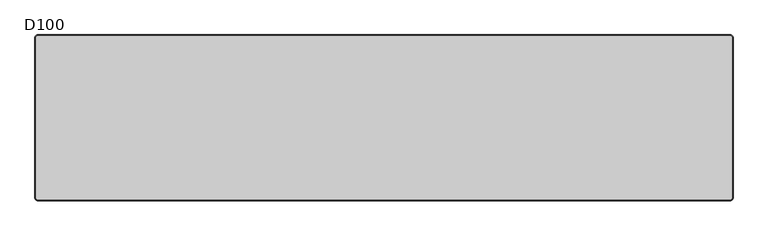
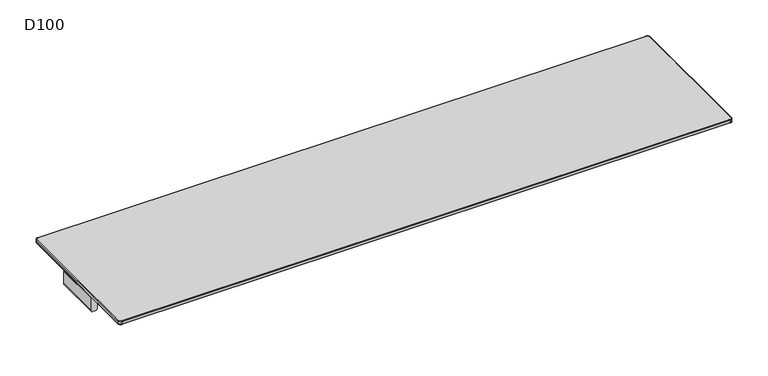
"""IFC4 building model written with IfcOpenShell, lengths in millimetres: furniture geometry, D100."""

from ifc_helpers import new_model, si_unit, point, frame, frame_2d, origin, place, context, project, spatial, polyline, circle_curve, ellipse_curve, trimmed, segment, composite_curve, outline, extrude, source, transform, mapped, element, save
from ifc_brep_helpers import plane_surface, cylinder_surface, revolved_surface, advanced_brep


def d100_ee7b5ac4(model_context):
    return source(origin(), model_context, "Body", "SolidModel", [
        extrude(outline(composite_curve([segment(polyline([(791.0006338, 2099.0), (880.0006338, 2099.0), (880.0006338, 2054.0), (791.0006338, 2054.0)]), True, "CONTINUOUS"), segment(trimmed(circle_curve(frame_2d((791.0006338, 2069.0)), 15.0), [point((791.0006338, 2054.0))], [point((776.0006338, 2069.0))], False, "CARTESIAN"), True, "CONTINUOUS"), segment(polyline([(776.0006338, 2069.0), (776.0006338, 2084.0)]), True, "CONTINUOUS"), segment(trimmed(circle_curve(frame_2d((791.0006338, 2084.0)), 15.0), [point((776.0006338, 2084.0))], [point((791.0006338, 2099.0))], False, "CARTESIAN"), True, "CONTINUOUS")], self_intersect=False)), frame((0.0, -159.2234902, 0.0), z_axis=(0.0, 1.0, 0.0), x_axis=(0.0, 0.0, 1.0)), (0.0, 0.0, 1.0), 318.4469804),
        extrude(outline(composite_curve([segment(polyline([(791.0006338, 0.0), (880.0006338, 0.0), (880.0006338, -45.0), (791.0006338, -45.0)]), True, "CONTINUOUS"), segment(trimmed(circle_curve(frame_2d((791.0006338, -30.0)), 15.0), [point((791.0006338, -45.0))], [point((776.0006338, -30.0))], False, "CARTESIAN"), True, "CONTINUOUS"), segment(polyline([(776.0006338, -30.0), (776.0006338, -15.0)]), True, "CONTINUOUS"), segment(trimmed(circle_curve(frame_2d((791.0006338, -15.0)), 15.0), [point((776.0006338, -15.0))], [point((791.0006338, 0.0))], False, "CARTESIAN"), True, "CONTINUOUS")], self_intersect=False)), frame((0.0, -159.2234902, 0.0), z_axis=(0.0, 1.0, 0.0), x_axis=(0.0, 0.0, 1.0)), (0.0, 0.0, 1.0), 318.4469804),
        extrude(outline(composite_curve([segment(trimmed(circle_curve(frame_2d((791.0006338, 15.0)), 15.0), [point((791.0006338, 0.0))], [point((776.0006338, 15.0))], False, "CARTESIAN"), True, "CONTINUOUS"), segment(polyline([(776.0006338, 15.0), (776.0006338, 30.0)]), True, "CONTINUOUS"), segment(trimmed(circle_curve(frame_2d((791.0006338, 30.0)), 15.0), [point((776.0006338, 30.0))], [point((791.0006338, 45.0))], False, "CARTESIAN"), True, "CONTINUOUS"), segment(polyline([(791.0006338, 45.0), (880.0006338, 45.0), (880.0006338, 0.0), (791.0006338, 0.0)]), True, "CONTINUOUS")], self_intersect=False)), frame((0.0, -159.2234902, 0.0), z_axis=(0.0, 1.0, 0.0), x_axis=(0.0, 0.0, 1.0)), (0.0, 0.0, 1.0), 318.4469804),
        extrude(outline(composite_curve([segment(trimmed(circle_curve(frame_2d((791.0006338, -2084.0)), 15.0), [point((791.0006338, -2099.0))], [point((776.0006338, -2084.0))], False, "CARTESIAN"), True, "CONTINUOUS"), segment(polyline([(776.0006338, -2084.0), (776.0006338, -2069.0)]), True, "CONTINUOUS"), segment(trimmed(circle_curve(frame_2d((791.0006338, -2069.0)), 15.0), [point((776.0006338, -2069.0))], [point((791.0006338, -2054.0))], False, "CARTESIAN"), True, "CONTINUOUS"), segment(polyline([(791.0006338, -2054.0), (880.0006338, -2054.0), (880.0006338, -2099.0), (791.0006338, -2099.0)]), True, "CONTINUOUS")], self_intersect=False)), frame((0.0, -159.2234902, 0.0), z_axis=(0.0, 1.0, 0.0), x_axis=(0.0, 0.0, 1.0)), (0.0, 0.0, 1.0), 318.4469804),
        advanced_brep(
        [(-2082.0, 495.0, 912.0006338), (-2095.0, 482.0, 912.0006338), (-2095.0, -482.0, 912.0006338), (-2082.0, -495.0, 912.0006338), (2082.0, -495.0, 912.0006338), (2095.0, -482.0, 912.0006338), (2095.0, 482.0, 912.0006338), (2082.0, 495.0, 912.0006338), (-2095.0, 482.0, 886.0006338), (-2082.0, 495.0, 886.0006338), (2082.0, 495.0, 886.0006338), (2095.0, 482.0, 886.0006338), (2095.0, -482.0, 886.0006338), (2082.0, -495.0, 886.0006338), (-2082.0, -495.0, 886.0006338), (-2095.0, -482.0, 886.0006338), (-2100.0, 482.0, 907.0006387), (-2100.0, 482.0, 891.0006338), (-2100.0, -482.0, 891.0006338), (-2100.0, -482.0, 907.0006338), (-2082.0, -500.0, 891.0006338), (-2082.0, -500.0, 907.0006375), (2082.0, -500.0, 891.0006338), (2082.0, -500.0, 907.0006338), (2100.0, -482.0, 891.0006338), (2100.0, -482.0, 907.0006373), (2100.0, 482.0, 891.0006338), (2100.0, 482.0, 907.0006338), (-2082.0, 500.0, 891.0006338), (-2082.0, 500.0, 907.0006338), (2082.0, 500.0, 891.0006338), (2082.0, 500.0, 907.0006338)],
        [
            (0, 1, circle_curve(frame((-2082.0, 482.0, 912.0006338), z_axis=(0.0, 0.0, 1.0), x_axis=(0.0, 1.0, 0.0)), 13.0)),
            (1, 2),
            (2, 3, circle_curve(frame((-2082.0, -482.0, 912.0006338), z_axis=(0.0, 0.0, 1.0), x_axis=(-1.0, 0.0, 0.0)), 13.0)),
            (3, 4),
            (4, 5, circle_curve(frame((2082.0, -482.0, 912.0006338), z_axis=(0.0, 0.0, 1.0), x_axis=(0.0, -1.0, 0.0)), 13.0)),
            (5, 6),
            (6, 7, circle_curve(frame((2082.0, 482.0, 912.0006338), z_axis=(0.0, 0.0, 1.0), x_axis=(1.0, 0.0, 0.0)), 13.0)),
            (7, 0),
            (8, 9, circle_curve(frame((-2082.0, 482.0, 886.0006338), z_axis=(0.0, 0.0, -1.0), x_axis=(0.0, 1.0, 0.0)), 13.0)),
            (9, 10),
            (10, 11, circle_curve(frame((2082.0, 482.0, 886.0006338), z_axis=(0.0, 0.0, -1.0), x_axis=(1.0, 0.0, 0.0)), 13.0)),
            (11, 12),
            (12, 13, circle_curve(frame((2082.0, -482.0, 886.0006338), z_axis=(0.0, 0.0, -1.0), x_axis=(0.0, -1.0, 0.0)), 13.0)),
            (13, 14),
            (14, 15, circle_curve(frame((-2082.0, -482.0, 886.0006338), z_axis=(0.0, 0.0, -1.0), x_axis=(-1.0, 0.0, 0.0)), 13.0)),
            (15, 8),
            (16, 17),
            (17, 18),
            (18, 19),
            (19, 16),
            (18, 20, circle_curve(frame((-2082.0, -482.0, 891.0006338), z_axis=(0.0, 0.0, 1.0), x_axis=(1.0, 0.0, 0.0)), 18.0)),
            (20, 21),
            (21, 19, circle_curve(frame((-2082.0, -482.0, 907.0006338), z_axis=(0.0, 0.0, -1.0), x_axis=(1.0, 0.0, 0.0)), 18.0)),
            (20, 22),
            (22, 23),
            (23, 21),
            (22, 24, circle_curve(frame((2082.0, -482.0, 891.0006338), z_axis=(0.0, 0.0, 1.0), x_axis=(1.0, 0.0, 0.0)), 18.0)),
            (24, 25),
            (25, 23, circle_curve(frame((2082.0, -482.0, 907.0006338), z_axis=(0.0, 0.0, -1.0), x_axis=(1.0, 0.0, 0.0)), 18.0)),
            (24, 26),
            (26, 27),
            (27, 25),
            (8, 17, circle_curve(frame((-2095.0, 482.0, 891.0006338), z_axis=(0.0, 1.0, 0.0), x_axis=(1.0, 0.0, 0.0)), 5.0)),
            (17, 28, circle_curve(frame((-2082.0, 482.0, 891.0006338), z_axis=(0.0, 0.0, -1.0), x_axis=(0.0, 1.0, 0.0)), 18.0)),
            (28, 9, circle_curve(frame((-2082.0, 495.0, 891.0006338), z_axis=(-1.0, 0.0, 0.0), x_axis=(0.0, -1.0, 0.0)), 5.0)),
            (16, 1, circle_curve(frame((-2095.0, 482.0, 907.0006338), z_axis=(0.0, 1.0, 0.0), x_axis=(1.0, 0.0, 0.0)), 5.0)),
            (0, 29, circle_curve(frame((-2082.0, 495.0, 907.0006338), z_axis=(-1.0, 0.0, 0.0), x_axis=(0.0, -1.0, 0.0)), 5.0)),
            (29, 16, circle_curve(frame((-2082.0, 482.0, 907.0006338), z_axis=(0.0, 0.0, 1.0), x_axis=(0.0, 1.0, 0.0)), 18.0)),
            (15, 18, circle_curve(frame((-2095.0, -482.0, 891.0006338), z_axis=(0.0, 1.0, 0.0), x_axis=(1.0, 0.0, 0.0)), 5.0)),
            (19, 2, circle_curve(frame((-2095.0, -482.0, 907.0006338), z_axis=(0.0, 1.0, 0.0), x_axis=(1.0, 0.0, 0.0)), 5.0)),
            (14, 20, circle_curve(frame((-2082.0, -495.0, 891.0006338), z_axis=(-1.0, 0.0, 0.0), x_axis=(0.0, 1.0, 0.0)), 5.0)),
            (21, 3, circle_curve(frame((-2082.0, -495.0, 907.0006338), z_axis=(-1.0, 0.0, 0.0), x_axis=(0.0, 1.0, 0.0)), 5.0)),
            (13, 22, circle_curve(frame((2082.0, -495.0, 891.0006338), z_axis=(-1.0, 0.0, 0.0), x_axis=(0.0, 1.0, 0.0)), 5.0)),
            (23, 4, circle_curve(frame((2082.0, -495.0, 907.0006338), z_axis=(-1.0, 0.0, 0.0), x_axis=(0.0, 1.0, 0.0)), 5.0)),
            (12, 24, circle_curve(frame((2095.0, -482.0, 891.0006338), z_axis=(0.0, -1.0, 0.0), x_axis=(-1.0, 0.0, 0.0)), 5.0)),
            (25, 5, circle_curve(frame((2095.0, -482.0, 907.0006338), z_axis=(0.0, -1.0, 0.0), x_axis=(-1.0, 0.0, 0.0)), 5.0)),
            (11, 26, circle_curve(frame((2095.0, 482.0, 891.0006338), z_axis=(0.0, -1.0, 0.0), x_axis=(-1.0, 0.0, 0.0)), 5.0)),
            (27, 6, circle_curve(frame((2095.0, 482.0, 907.0006338), z_axis=(0.0, -1.0, 0.0), x_axis=(-1.0, 0.0, 0.0)), 5.0)),
            (10, 30, circle_curve(frame((2082.0, 495.0, 891.0006338), z_axis=(1.0, 0.0, 0.0), x_axis=(0.0, -1.0, 0.0)), 5.0)),
            (30, 26, circle_curve(frame((2082.0, 482.0, 891.0006338), z_axis=(0.0, 0.0, -1.0), x_axis=(1.0, 0.0, 0.0)), 18.0)),
            (27, 31, circle_curve(frame((2082.0, 482.0, 907.0006338), z_axis=(0.0, 0.0, 1.0), x_axis=(1.0, 0.0, 0.0)), 18.0)),
            (31, 7, circle_curve(frame((2082.0, 495.0, 907.0006338), z_axis=(1.0, 0.0, 0.0), x_axis=(0.0, -1.0, 0.0)), 5.0)),
            (28, 30),
            (31, 29),
            (30, 31),
            (28, 29),
        ],
        [
            plane_surface(frame((-2100.0, -482.0, 912.0006338), z_axis=(0.0, 0.0, 1.0), x_axis=(0.0, -1.0, 0.0))),
            plane_surface(frame((-2100.0, -482.0, 886.0006338), z_axis=(0.0, 0.0, -1.0), x_axis=(0.0, 1.0, 0.0))),
            plane_surface(frame((-2100.0, 482.0, 912.0006338), z_axis=(-1.0, 0.0, 0.0), x_axis=(0.0, 0.0, -1.0))),
            cylinder_surface(frame((-2082.0, -482.0, 886.0006338), z_axis=(0.0, 0.0, 1.0), x_axis=(1.0, 0.0, 0.0)), 18.0),
            plane_surface(frame((-2082.0, -500.0, 912.0006338), z_axis=(0.0, -1.0, 0.0), x_axis=(0.0, 0.0, -1.0))),
            cylinder_surface(frame((2082.0, -482.0, 886.0006338), z_axis=(0.0, 0.0, 1.0), x_axis=(1.0, 0.0, 0.0)), 18.0),
            plane_surface(frame((2100.0, -482.0, 912.0006338), z_axis=(1.0, 0.0, 0.0), x_axis=(0.0, 0.0, -1.0))),
            revolved_surface(trimmed(ellipse_curve(frame((-2082.0, 495.0, 891.0006338), z_axis=(1.0, 0.0, 0.0), x_axis=(0.0, -1.0, 0.0)), 5.0, 5.0), [point((-2082.0, 495.0, 886.0006338))], [point((-2082.0, 500.0, 891.0006338))], True, "CARTESIAN"), (-2082.0, 482.0, 0.0006338), (0.0, 0.0, 1.0)),
            revolved_surface(trimmed(ellipse_curve(frame((-2082.0, 495.0, 907.0006338), z_axis=(1.0, 0.0, 0.0), x_axis=(0.0, -1.0, 0.0)), 5.0, 5.0), [point((-2082.0, 500.0, 907.0006338))], [point((-2082.0, 495.0, 912.0006338))], True, "CARTESIAN"), (-2082.0, 482.0, 0.0006338), (0.0, 0.0, 1.0)),
            cylinder_surface(frame((-2095.0, 482.0, 891.0006338), z_axis=(0.0, -1.0, 0.0), x_axis=(1.0, 0.0, 0.0)), 5.0),
            cylinder_surface(frame((-2095.0, 482.0, 907.0006338), z_axis=(0.0, -1.0, 0.0), x_axis=(1.0, 0.0, 0.0)), 5.0),
            revolved_surface(trimmed(ellipse_curve(frame((-2095.0, -482.0, 891.0006338), z_axis=(0.0, 1.0, 0.0), x_axis=(1.0, 0.0, 0.0)), 5.0, 5.0), [point((-2095.0, -482.0, 886.0006338))], [point((-2100.0, -482.0, 891.0006338))], True, "CARTESIAN"), (-2082.0, -482.0, 0.0006338), (0.0, 0.0, 1.0)),
            revolved_surface(trimmed(ellipse_curve(frame((-2095.0, -482.0, 907.0006338), z_axis=(0.0, 1.0, 0.0), x_axis=(1.0, 0.0, 0.0)), 5.0, 5.0), [point((-2100.0, -482.0, 907.0006338))], [point((-2095.0, -482.0, 912.0006338))], True, "CARTESIAN"), (-2082.0, -482.0, 0.0006338), (0.0, 0.0, 1.0)),
            cylinder_surface(frame((-2082.0, -495.0, 891.0006338), z_axis=(1.0, 0.0, 0.0), x_axis=(0.0, 1.0, 0.0)), 5.0),
            cylinder_surface(frame((-2082.0, -495.0, 907.0006338), z_axis=(1.0, 0.0, 0.0), x_axis=(0.0, 1.0, 0.0)), 5.0),
            revolved_surface(trimmed(ellipse_curve(frame((2082.0, -495.0, 891.0006338), z_axis=(-1.0, 0.0, 0.0), x_axis=(0.0, 1.0, 0.0)), 5.0, 5.0), [point((2082.0, -495.0, 886.0006338))], [point((2082.0, -500.0, 891.0006338))], True, "CARTESIAN"), (2082.0, -482.0, 0.0006338), (0.0, 0.0, 1.0)),
            revolved_surface(trimmed(ellipse_curve(frame((2082.0, -495.0, 907.0006338), z_axis=(-1.0, 0.0, 0.0), x_axis=(0.0, 1.0, 0.0)), 5.0, 5.0), [point((2082.0, -500.0, 907.0006338))], [point((2082.0, -495.0, 912.0006338))], True, "CARTESIAN"), (2082.0, -482.0, 0.0006338), (0.0, 0.0, 1.0)),
            cylinder_surface(frame((2095.0, -482.0, 891.0006338), z_axis=(0.0, 1.0, 0.0), x_axis=(-1.0, 0.0, 0.0)), 5.0),
            cylinder_surface(frame((2095.0, -482.0, 907.0006338), z_axis=(0.0, 1.0, 0.0), x_axis=(-1.0, 0.0, 0.0)), 5.0),
            revolved_surface(trimmed(ellipse_curve(frame((2095.0, 482.0, 891.0006338), z_axis=(0.0, -1.0, 0.0), x_axis=(-1.0, 0.0, 0.0)), 5.0, 5.0), [point((2095.0, 482.0, 886.0006338))], [point((2100.0, 482.0, 891.0006338))], True, "CARTESIAN"), (2082.0, 482.0, 0.0006338), (0.0, 0.0, 1.0)),
            revolved_surface(trimmed(ellipse_curve(frame((2095.0, 482.0, 907.0006338), z_axis=(0.0, -1.0, 0.0), x_axis=(-1.0, 0.0, 0.0)), 5.0, 5.0), [point((2100.0, 482.0, 907.0006338))], [point((2095.0, 482.0, 912.0006338))], True, "CARTESIAN"), (2082.0, 482.0, 0.0006338), (0.0, 0.0, 1.0)),
            cylinder_surface(frame((2082.0, 495.0, 891.0006338), z_axis=(-1.0, 0.0, 0.0), x_axis=(0.0, -1.0, 0.0)), 5.0),
            cylinder_surface(frame((2082.0, 495.0, 907.0006338), z_axis=(-1.0, 0.0, 0.0), x_axis=(0.0, -1.0, 0.0)), 5.0),
            cylinder_surface(frame((2082.0, 482.0, 886.0006338), z_axis=(0.0, 0.0, 1.0), x_axis=(1.0, 0.0, 0.0)), 18.0),
            plane_surface(frame((2082.0, 500.0, 912.0006338), z_axis=(0.0, 1.0, 0.0), x_axis=(0.0, 0.0, -1.0))),
            cylinder_surface(frame((-2082.0, 482.0, 886.0006338), z_axis=(0.0, 0.0, 1.0), x_axis=(1.0, 0.0, 0.0)), 18.0),
        ],
        [
            (0, [[1, 2, 3, 4, 5, 6, 7, 8]]),
            (1, [[9, 10, 11, 12, 13, 14, 15, 16]]),
            (2, [[17, 18, 19, 20]]),
            (3, [[-19, 21, 22, 23]]),
            (4, [[-22, 24, 25, 26]]),
            (5, [[-25, 27, 28, 29]]),
            (6, [[-28, 30, 31, 32]]),
            (7, [[33, 34, 35, -9]]),
            (8, [[36, -1, 37, 38]]),
            (9, [[-33, -16, 39, -18]]),
            (10, [[-36, -20, 40, -2]]),
            (11, [[-39, -15, 41, -21]]),
            (12, [[-40, -23, 42, -3]]),
            (13, [[-41, -14, 43, -24]]),
            (14, [[-42, -26, 44, -4]]),
            (15, [[-43, -13, 45, -27]]),
            (16, [[-44, -29, 46, -5]]),
            (17, [[-45, -12, 47, -30]]),
            (18, [[-46, -32, 48, -6]]),
            (19, [[-47, -11, 49, 50]]),
            (20, [[-48, 51, 52, -7]]),
            (21, [[-35, 53, -49, -10]]),
            (22, [[-37, -8, -52, 54]]),
            (23, [[-31, -50, 55, -51]]),
            (24, [[-55, -53, 56, -54]]),
            (25, [[-17, -38, -56, -34]]),
        ],
    ),
        advanced_brep(
        [(2029.2740174, -165.2234902, 821.5334099), (2054.0036896, -165.2234902, 791.3333097), (2069.0, -165.2234902, 776.0006338), (2084.0, -165.2234902, 776.0006338), (2099.0, -165.2234902, 791.0006338), (2099.0, -165.2234902, 880.0006338), (1839.0, -165.2234902, 880.0006338), (1839.0, -165.2234902, 872.1904661), (1855.4913675, -165.2234902, 852.5006338), (2029.2740174, -159.2234902, 821.5334099), (1855.4913675, -159.2234902, 852.5006338), (1839.0, -159.2234902, 872.1904661), (1839.0, -159.2234902, 880.0006338), (2099.0, -159.2234902, 880.0006338), (2099.0, -159.2234902, 791.0006338), (2084.0, -159.2234902, 776.0006338), (2069.0, -159.2234902, 776.0006338), (2054.0036896, -159.2234902, 791.3333097), (2099.0, -113.2234902, 880.0006338), (2099.0, -113.2234902, 886.0006338), (2099.0, -211.2234902, 886.0006338), (2099.0, -211.2234902, 880.0006338), (2083.0, -97.2234902, 886.0006338), (1855.0, -97.2234902, 886.0006338), (1839.0, -113.2234902, 886.0006338), (1839.0, -211.2234902, 886.0006338), (1855.0, -227.2234902, 886.0006338), (2083.0, -227.2234902, 886.0006338), (1839.0, -113.2234902, 880.0006338), (1839.0, -211.2234902, 880.0006338), (2083.0, -97.2234902, 880.0006338), (1855.0, -97.2234902, 880.0006338), (2083.0, -227.2234902, 880.0006338), (1855.0, -227.2234902, 880.0006338)],
        [
            (0, 1, circle_curve(frame((2024.0110687, -165.2234902, 791.9986614), z_axis=(0.0, 1.0, 0.0), x_axis=(1.0, 0.0, 0.0)), 30.0)),
            (1, 2, circle_curve(frame((2069.0, -165.2234902, 791.0006338), z_axis=(0.0, -1.0, 0.0), x_axis=(1.0, 0.0, 0.0)), 15.0)),
            (2, 3),
            (3, 4, circle_curve(frame((2084.0, -165.2234902, 791.0006338), z_axis=(0.0, -1.0, 0.0), x_axis=(1.0, 0.0, 0.0)), 15.0)),
            (4, 5),
            (5, 6),
            (6, 7),
            (7, 8, circle_curve(frame((1859.0, -165.2234902, 872.1904661), z_axis=(0.0, -1.0, 0.0), x_axis=(1.0, 0.0, 0.0)), 20.0)),
            (8, 0),
            (9, 10),
            (10, 11, circle_curve(frame((1859.0, -159.2234902, 872.1904661), z_axis=(0.0, 1.0, 0.0), x_axis=(1.0, 0.0, 0.0)), 20.0)),
            (11, 12),
            (12, 13),
            (13, 14),
            (14, 15, circle_curve(frame((2084.0, -159.2234902, 791.0006338), z_axis=(0.0, 1.0, 0.0), x_axis=(1.0, 0.0, 0.0)), 15.0)),
            (15, 16),
            (16, 17, circle_curve(frame((2069.0, -159.2234902, 791.0006338), z_axis=(0.0, 1.0, 0.0), x_axis=(1.0, 0.0, 0.0)), 15.0)),
            (17, 9, circle_curve(frame((2024.0110687, -159.2234902, 791.9986614), z_axis=(0.0, -1.0, 0.0), x_axis=(1.0, 0.0, 0.0)), 30.0)),
            (0, 9),
            (17, 1),
            (4, 14),
            (13, 18),
            (18, 19),
            (19, 20),
            (20, 21),
            (21, 5),
            (19, 22, circle_curve(frame((2083.0, -113.2234902, 886.0006338), z_axis=(0.0, 0.0, 1.0), x_axis=(-1.0, 0.0, 0.0)), 16.0)),
            (22, 23),
            (23, 24, circle_curve(frame((1855.0, -113.2234902, 886.0006338), z_axis=(0.0, 0.0, 1.0), x_axis=(-1.0, 0.0, 0.0)), 16.0)),
            (24, 25),
            (25, 26, circle_curve(frame((1855.0, -211.2234902, 886.0006338), z_axis=(0.0, 0.0, 1.0), x_axis=(-1.0, 0.0, 0.0)), 16.0)),
            (26, 27),
            (27, 20, circle_curve(frame((2083.0, -211.2234902, 886.0006338), z_axis=(0.0, 0.0, 1.0), x_axis=(-1.0, 0.0, 0.0)), 16.0)),
            (24, 28),
            (28, 12),
            (11, 7),
            (6, 29),
            (29, 25),
            (10, 8),
            (16, 2),
            (15, 3),
            (30, 18, circle_curve(frame((2083.0, -113.2234902, 880.0006338), z_axis=(0.0, 0.0, -1.0), x_axis=(-1.0, 0.0, 0.0)), 16.0)),
            (28, 31, circle_curve(frame((1855.0, -113.2234902, 880.0006338), z_axis=(0.0, 0.0, -1.0), x_axis=(-1.0, 0.0, 0.0)), 16.0)),
            (31, 30),
            (21, 32, circle_curve(frame((2083.0, -211.2234902, 880.0006338), z_axis=(0.0, 0.0, -1.0), x_axis=(-1.0, 0.0, 0.0)), 16.0)),
            (32, 33),
            (33, 29, circle_curve(frame((1855.0, -211.2234902, 880.0006338), z_axis=(0.0, 0.0, -1.0), x_axis=(-1.0, 0.0, 0.0)), 16.0)),
            (30, 22),
            (27, 32),
            (26, 33),
            (23, 31),
        ],
        [
            plane_surface(frame((2054.0110687, -165.2234902, 791.9986614), z_axis=(0.0, -1.0, 0.0), x_axis=(0.0, 0.0, -1.0))),
            plane_surface(frame((2054.0110687, -159.2234902, 791.9986614), z_axis=(0.0, 1.0, 0.0), x_axis=(0.0, 0.0, 1.0))),
            revolved_surface(polyline([(2054.0110686999997, -159.2234902, 791.9986614), (2054.0110686999997, -165.2234902, 791.9986614)]), (2024.0110687, -159.2234902, 791.9986614), (0.0, 1.0, 0.0)),
            plane_surface(frame((2099.0, -165.2234902, 791.0006338), z_axis=(1.0, 0.0, 0.0), x_axis=(0.0, 1.0, 0.0))),
            plane_surface(frame((2099.0, -165.2234902, 886.0006338), z_axis=(0.0, 0.0, 1.0), x_axis=(0.0, 1.0, 0.0))),
            plane_surface(frame((1839.0, -165.2234902, 886.0006338), z_axis=(-1.0, 0.0, 0.0), x_axis=(0.0, 1.0, 0.0))),
            cylinder_surface(frame((1859.0, -159.2234902, 872.1904661), z_axis=(0.0, -1.0, 0.0), x_axis=(1.0, 0.0, 0.0)), 20.0),
            plane_surface(frame((1855.4913675, -165.2234902, 852.5006338), z_axis=(-0.17543162299465118, 0.0, -0.984491617868564), x_axis=(0.0, 1.0, 0.0))),
            cylinder_surface(frame((2069.0, -159.2234902, 791.0006338), z_axis=(0.0, -1.0, 0.0), x_axis=(1.0, 0.0, 0.0)), 15.0),
            plane_surface(frame((2069.0, -165.2234902, 776.0006338), z_axis=(0.0, 0.0, -1.0), x_axis=(0.0, 1.0, 0.0))),
            cylinder_surface(frame((2084.0, -159.2234902, 791.0006338), z_axis=(0.0, -1.0, 0.0), x_axis=(1.0, 0.0, 0.0)), 15.0),
            plane_surface(frame((1855.0, -97.2234902, 880.0006338), z_axis=(0.0, 0.0, -1.0), x_axis=(1.0, 0.0, 0.0))),
            cylinder_surface(frame((2083.0, -113.2234902, 880.0006338), z_axis=(0.0, 0.0, 1.0), x_axis=(-1.0, 0.0, 0.0)), 16.0),
            cylinder_surface(frame((2083.0, -211.2234902, 880.0006338), z_axis=(0.0, 0.0, 1.0), x_axis=(-1.0, 0.0, 0.0)), 16.0),
            plane_surface(frame((1855.0, -227.2234902, 886.0006338), z_axis=(0.0, -1.0, 0.0), x_axis=(0.0, 0.0, -1.0))),
            cylinder_surface(frame((1855.0, -211.2234902, 880.0006338), z_axis=(0.0, 0.0, 1.0), x_axis=(-1.0, 0.0, 0.0)), 16.0),
            cylinder_surface(frame((1855.0, -113.2234902, 880.0006338), z_axis=(0.0, 0.0, 1.0), x_axis=(-1.0, 0.0, 0.0)), 16.0),
            plane_surface(frame((2083.0, -97.2234902, 886.0006338), z_axis=(0.0, 1.0, 0.0), x_axis=(0.0, 0.0, -1.0))),
        ],
        [
            (0, [[1, 2, 3, 4, 5, 6, 7, 8, 9]]),
            (1, [[10, 11, 12, 13, 14, 15, 16, 17, 18]]),
            (2, [[-1, 19, -18, 20]]),
            (3, [[21, -14, 22, 23, 24, 25, 26, -5]]),
            (4, [[-24, 27, 28, 29, 30, 31, 32, 33]]),
            (5, [[-30, 34, 35, -12, 36, -7, 37, 38]]),
            (6, [[-8, -36, -11, 39]]),
            (7, [[-9, -39, -10, -19]]),
            (8, [[-2, -20, -17, 40]]),
            (9, [[-3, -40, -16, 41]]),
            (10, [[-4, -41, -15, -21]]),
            (11, [[42, -22, -13, -35, 43, 44]]),
            (11, [[45, 46, 47, -37, -6, -26]]),
            (12, [[-27, -23, -42, 48]]),
            (13, [[-33, 49, -45, -25]]),
            (14, [[-32, 50, -46, -49]]),
            (15, [[-31, -38, -47, -50]]),
            (16, [[-29, 51, -43, -34]]),
            (17, [[-28, -48, -44, -51]]),
        ],
    ),
        advanced_brep(
        [(2029.2740174, 165.2234902, 821.5334099), (1855.4913675, 165.2234902, 852.5006338), (1839.0, 165.2234902, 872.1904661), (1839.0, 165.2234902, 880.0006338), (2099.0, 165.2234902, 880.0006338), (2099.0, 165.2234902, 791.0006338), (2084.0, 165.2234902, 776.0006338), (2069.0, 165.2234902, 776.0006338), (2054.0036896, 165.2234902, 791.3333097), (2029.2740174, 159.2234902, 821.5334099), (2054.0036896, 159.2234902, 791.3333097), (2069.0, 159.2234902, 776.0006338), (2084.0, 159.2234902, 776.0006338), (2099.0, 159.2234902, 791.0006338), (2099.0, 159.2234902, 880.0006338), (1839.0, 159.2234902, 880.0006338), (1839.0, 159.2234902, 872.1904661), (1855.4913675, 159.2234902, 852.5006338), (2099.0, 113.2234902, 886.0006338), (2099.0, 113.2234902, 880.0006338), (2099.0, 211.2234902, 880.0006338), (2099.0, 211.2234902, 886.0006338), (2083.0, 227.2234902, 886.0006338), (1855.0, 227.2234902, 886.0006338), (1839.0, 211.2234902, 886.0006338), (1839.0, 113.2234902, 886.0006338), (1855.0, 97.2234902, 886.0006338), (2083.0, 97.2234902, 886.0006338), (1839.0, 211.2234902, 880.0006338), (1839.0, 113.2234902, 880.0006338), (2083.0, 97.2234902, 880.0006338), (1855.0, 97.2234902, 880.0006338), (1855.0, 227.2234902, 880.0006338), (2083.0, 227.2234902, 880.0006338)],
        [
            (0, 1),
            (1, 2, circle_curve(frame((1859.0, 165.2234902, 872.1904661), z_axis=(0.0, 1.0, 0.0), x_axis=(1.0, 0.0, 0.0)), 20.0)),
            (2, 3),
            (3, 4),
            (4, 5),
            (5, 6, circle_curve(frame((2084.0, 165.2234902, 791.0006338), z_axis=(0.0, 1.0, 0.0), x_axis=(1.0, 0.0, 0.0)), 15.0)),
            (6, 7),
            (7, 8, circle_curve(frame((2069.0, 165.2234902, 791.0006338), z_axis=(0.0, 1.0, 0.0), x_axis=(1.0, 0.0, 0.0)), 15.0)),
            (8, 0, circle_curve(frame((2024.0110687, 165.2234902, 791.9986614), z_axis=(0.0, -1.0, 0.0), x_axis=(1.0, 0.0, 0.0)), 30.0)),
            (9, 10, circle_curve(frame((2024.0110687, 159.2234902, 791.9986614), z_axis=(0.0, 1.0, 0.0), x_axis=(1.0, 0.0, 0.0)), 30.0)),
            (10, 11, circle_curve(frame((2069.0, 159.2234902, 791.0006338), z_axis=(0.0, -1.0, 0.0), x_axis=(1.0, 0.0, 0.0)), 15.0)),
            (11, 12),
            (12, 13, circle_curve(frame((2084.0, 159.2234902, 791.0006338), z_axis=(0.0, -1.0, 0.0), x_axis=(1.0, 0.0, 0.0)), 15.0)),
            (13, 14),
            (14, 15),
            (15, 16),
            (16, 17, circle_curve(frame((1859.0, 159.2234902, 872.1904661), z_axis=(0.0, -1.0, 0.0), x_axis=(1.0, 0.0, 0.0)), 20.0)),
            (17, 9),
            (8, 10),
            (9, 0),
            (18, 19),
            (19, 14),
            (13, 5),
            (4, 20),
            (20, 21),
            (21, 18),
            (21, 22, circle_curve(frame((2083.0, 211.2234902, 886.0006338), z_axis=(0.0, 0.0, 1.0), x_axis=(-1.0, 0.0, 0.0)), 16.0)),
            (22, 23),
            (23, 24, circle_curve(frame((1855.0, 211.2234902, 886.0006338), z_axis=(0.0, 0.0, 1.0), x_axis=(-1.0, 0.0, 0.0)), 16.0)),
            (24, 25),
            (25, 26, circle_curve(frame((1855.0, 113.2234902, 886.0006338), z_axis=(0.0, 0.0, 1.0), x_axis=(-1.0, 0.0, 0.0)), 16.0)),
            (26, 27),
            (27, 18, circle_curve(frame((2083.0, 113.2234902, 886.0006338), z_axis=(0.0, 0.0, 1.0), x_axis=(-1.0, 0.0, 0.0)), 16.0)),
            (24, 28),
            (28, 3),
            (2, 16),
            (15, 29),
            (29, 25),
            (1, 17),
            (7, 11),
            (6, 12),
            (30, 31),
            (31, 29, circle_curve(frame((1855.0, 113.2234902, 880.0006338), z_axis=(0.0, 0.0, -1.0), x_axis=(-1.0, 0.0, 0.0)), 16.0)),
            (19, 30, circle_curve(frame((2083.0, 113.2234902, 880.0006338), z_axis=(0.0, 0.0, -1.0), x_axis=(-1.0, 0.0, 0.0)), 16.0)),
            (28, 32, circle_curve(frame((1855.0, 211.2234902, 880.0006338), z_axis=(0.0, 0.0, -1.0), x_axis=(-1.0, 0.0, 0.0)), 16.0)),
            (32, 33),
            (33, 20, circle_curve(frame((2083.0, 211.2234902, 880.0006338), z_axis=(0.0, 0.0, -1.0), x_axis=(-1.0, 0.0, 0.0)), 16.0)),
            (27, 30),
            (33, 22),
            (32, 23),
            (31, 26),
        ],
        [
            plane_surface(frame((1855.4913675, 165.2234902, 852.5006338), z_axis=(0.0, 1.0, 0.0), x_axis=(-0.984491617868564, 0.0, 0.17543162299465118))),
            plane_surface(frame((1855.4913675, 159.2234902, 852.5006338), z_axis=(0.0, -1.0, 0.0), x_axis=(0.984491617868564, 0.0, -0.17543162299465118))),
            revolved_surface(polyline([(2054.0110686999997, 159.2234902, 791.9986614), (2054.0110686999997, 165.2234902, 791.9986614)]), (2024.0110687, 159.2234902, 791.9986614), (0.0, -1.0, 0.0)),
            plane_surface(frame((2099.0, 165.2234902, 886.0006338), z_axis=(1.0, 0.0, 0.0), x_axis=(0.0, -1.0, 0.0))),
            plane_surface(frame((1839.0, 165.2234902, 886.0006338), z_axis=(0.0, 0.0, 1.0), x_axis=(0.0, -1.0, 0.0))),
            plane_surface(frame((1839.0, 165.2234902, 872.1904661), z_axis=(-1.0, 0.0, 0.0), x_axis=(0.0, -1.0, 0.0))),
            cylinder_surface(frame((1859.0, 159.2234902, 872.1904661), z_axis=(0.0, 1.0, 0.0), x_axis=(1.0, 0.0, 0.0)), 20.0),
            plane_surface(frame((2029.2740174, 165.2234902, 821.5334099), z_axis=(-0.17543162299465118, 0.0, -0.984491617868564), x_axis=(0.0, -1.0, 0.0))),
            cylinder_surface(frame((2069.0, 159.2234902, 791.0006338), z_axis=(0.0, 1.0, 0.0), x_axis=(1.0, 0.0, 0.0)), 15.0),
            plane_surface(frame((2084.0, 165.2234902, 776.0006338), z_axis=(0.0, 0.0, -1.0), x_axis=(0.0, -1.0, 0.0))),
            cylinder_surface(frame((2084.0, 159.2234902, 791.0006338), z_axis=(0.0, 1.0, 0.0), x_axis=(1.0, 0.0, 0.0)), 15.0),
            plane_surface(frame((2067.0, 113.2234902, 880.0006338), z_axis=(0.0, 0.0, -1.0), x_axis=(0.0, 1.0, 0.0))),
            cylinder_surface(frame((2083.0, 113.2234902, 880.0006338), z_axis=(0.0, 0.0, 1.0), x_axis=(-1.0, 0.0, 0.0)), 16.0),
            cylinder_surface(frame((2083.0, 211.2234902, 880.0006338), z_axis=(0.0, 0.0, 1.0), x_axis=(-1.0, 0.0, 0.0)), 16.0),
            plane_surface(frame((2083.0, 227.2234902, 886.0006338), z_axis=(0.0, 1.0, 0.0), x_axis=(0.0, 0.0, -1.0))),
            cylinder_surface(frame((1855.0, 211.2234902, 880.0006338), z_axis=(0.0, 0.0, 1.0), x_axis=(-1.0, 0.0, 0.0)), 16.0),
            cylinder_surface(frame((1855.0, 113.2234902, 880.0006338), z_axis=(0.0, 0.0, 1.0), x_axis=(-1.0, 0.0, 0.0)), 16.0),
            plane_surface(frame((1855.0, 97.2234902, 886.0006338), z_axis=(0.0, -1.0, 0.0), x_axis=(0.0, 0.0, -1.0))),
        ],
        [
            (0, [[1, 2, 3, 4, 5, 6, 7, 8, 9]]),
            (1, [[10, 11, 12, 13, 14, 15, 16, 17, 18]]),
            (2, [[-9, 19, -10, 20]]),
            (3, [[21, 22, -14, 23, -5, 24, 25, 26]]),
            (4, [[-26, 27, 28, 29, 30, 31, 32, 33]]),
            (5, [[-30, 34, 35, -3, 36, -16, 37, 38]]),
            (6, [[-2, 39, -17, -36]]),
            (7, [[-1, -20, -18, -39]]),
            (8, [[-8, 40, -11, -19]]),
            (9, [[-7, 41, -12, -40]]),
            (10, [[-6, -23, -13, -41]]),
            (11, [[42, 43, -37, -15, -22, 44]]),
            (11, [[45, 46, 47, -24, -4, -35]]),
            (12, [[-33, 48, -44, -21]]),
            (13, [[-27, -25, -47, 49]]),
            (14, [[-28, -49, -46, 50]]),
            (15, [[-29, -50, -45, -34]]),
            (16, [[-31, -38, -43, 51]]),
            (17, [[-32, -51, -42, -48]]),
        ],
    ),
        advanced_brep(
        [(69.7259826, 165.2234902, 821.5334099), (44.9963104, 165.2234902, 791.3333097), (30.0, 165.2234902, 776.0006338), (15.0, 165.2234902, 776.0006338), (0.0, 165.2234902, 791.0006338), (0.0, 165.2234902, 880.0006338), (260.0, 165.2234902, 880.0006338), (260.0, 165.2234902, 872.1904661), (243.5086325, 165.2234902, 852.5006338), (69.7259826, 159.2234902, 821.5334099), (243.5086325, 159.2234902, 852.5006338), (260.0, 159.2234902, 872.1904661), (260.0, 159.2234902, 880.0006338), (0.0, 159.2234902, 880.0006338), (0.0, 159.2234902, 791.0006338), (15.0, 159.2234902, 776.0006338), (30.0, 159.2234902, 776.0006338), (44.9963104, 159.2234902, 791.3333097), (0.0, 113.2234902, 880.0006338), (0.0, 113.2234902, 886.0006338), (0.0, 211.2234902, 886.0006338), (0.0, 211.2234902, 880.0006338), (16.0, 97.2234902, 886.0006338), (244.0, 97.2234902, 886.0006338), (260.0, 113.2234902, 886.0006338), (260.0, 211.2234902, 886.0006338), (244.0, 227.2234902, 886.0006338), (16.0, 227.2234902, 886.0006338), (260.0, 113.2234902, 880.0006338), (260.0, 211.2234902, 880.0006338), (16.0, 97.2234902, 880.0006338), (244.0, 97.2234902, 880.0006338), (16.0, 227.2234902, 880.0006338), (244.0, 227.2234902, 880.0006338)],
        [
            (0, 1, circle_curve(frame((74.9889313, 165.2234902, 791.9986614), z_axis=(0.0, -1.0, 0.0), x_axis=(-1.0, 0.0, 0.0)), 30.0)),
            (1, 2, circle_curve(frame((30.0, 165.2234902, 791.0006338), z_axis=(0.0, 1.0, 0.0), x_axis=(-1.0, 0.0, 0.0)), 15.0)),
            (2, 3),
            (3, 4, circle_curve(frame((15.0, 165.2234902, 791.0006338), z_axis=(0.0, 1.0, 0.0), x_axis=(-1.0, 0.0, 0.0)), 15.0)),
            (4, 5),
            (5, 6),
            (6, 7),
            (7, 8, circle_curve(frame((240.0, 165.2234902, 872.1904661), z_axis=(0.0, 1.0, 0.0), x_axis=(-1.0, 0.0, 0.0)), 20.0)),
            (8, 0),
            (9, 10),
            (10, 11, circle_curve(frame((240.0, 159.2234902, 872.1904661), z_axis=(0.0, -1.0, 0.0), x_axis=(-1.0, 0.0, 0.0)), 20.0)),
            (11, 12),
            (12, 13),
            (13, 14),
            (14, 15, circle_curve(frame((15.0, 159.2234902, 791.0006338), z_axis=(0.0, -1.0, 0.0), x_axis=(-1.0, 0.0, 0.0)), 15.0)),
            (15, 16),
            (16, 17, circle_curve(frame((30.0, 159.2234902, 791.0006338), z_axis=(0.0, -1.0, 0.0), x_axis=(-1.0, 0.0, 0.0)), 15.0)),
            (17, 9, circle_curve(frame((74.9889313, 159.2234902, 791.9986614), z_axis=(0.0, 1.0, 0.0), x_axis=(-1.0, 0.0, 0.0)), 30.0)),
            (0, 9),
            (17, 1),
            (4, 14),
            (13, 18),
            (18, 19),
            (19, 20),
            (20, 21),
            (21, 5),
            (19, 22, circle_curve(frame((16.0, 113.2234902, 886.0006338), z_axis=(0.0, 0.0, 1.0), x_axis=(1.0, 0.0, 0.0)), 16.0)),
            (22, 23),
            (23, 24, circle_curve(frame((244.0, 113.2234902, 886.0006338), z_axis=(0.0, 0.0, 1.0), x_axis=(1.0, 0.0, 0.0)), 16.0)),
            (24, 25),
            (25, 26, circle_curve(frame((244.0, 211.2234902, 886.0006338), z_axis=(0.0, 0.0, 1.0), x_axis=(1.0, 0.0, 0.0)), 16.0)),
            (26, 27),
            (27, 20, circle_curve(frame((16.0, 211.2234902, 886.0006338), z_axis=(0.0, 0.0, 1.0), x_axis=(1.0, 0.0, 0.0)), 16.0)),
            (24, 28),
            (28, 12),
            (11, 7),
            (6, 29),
            (29, 25),
            (10, 8),
            (16, 2),
            (15, 3),
            (30, 18, circle_curve(frame((16.0, 113.2234902, 880.0006338), z_axis=(0.0, 0.0, -1.0), x_axis=(1.0, 0.0, 0.0)), 16.0)),
            (28, 31, circle_curve(frame((244.0, 113.2234902, 880.0006338), z_axis=(0.0, 0.0, -1.0), x_axis=(1.0, 0.0, 0.0)), 16.0)),
            (31, 30),
            (21, 32, circle_curve(frame((16.0, 211.2234902, 880.0006338), z_axis=(0.0, 0.0, -1.0), x_axis=(1.0, 0.0, 0.0)), 16.0)),
            (32, 33),
            (33, 29, circle_curve(frame((244.0, 211.2234902, 880.0006338), z_axis=(0.0, 0.0, -1.0), x_axis=(1.0, 0.0, 0.0)), 16.0)),
            (30, 22),
            (27, 32),
            (26, 33),
            (23, 31),
        ],
        [
            plane_surface(frame((44.9889313, 165.2234902, 791.9986614), z_axis=(0.0, 1.0, 0.0), x_axis=(0.0, 0.0, -1.0))),
            plane_surface(frame((44.9889313, 159.2234902, 791.9986614), z_axis=(0.0, -1.0, 0.0), x_axis=(0.0, 0.0, 1.0))),
            revolved_surface(polyline([(44.988931300000004, 159.2234902, 791.9986614), (44.988931300000004, 165.2234902, 791.9986614)]), (74.9889313, 159.2234902, 791.9986614), (0.0, -1.0, 0.0)),
            plane_surface(frame((0.0, 165.2234902, 791.0006338), z_axis=(-1.0, 0.0, 0.0), x_axis=(0.0, -1.0, 0.0))),
            plane_surface(frame((0.0, 165.2234902, 886.0006338), z_axis=(0.0, 0.0, 1.0), x_axis=(0.0, -1.0, 0.0))),
            plane_surface(frame((260.0, 165.2234902, 886.0006338), z_axis=(1.0, 0.0, 0.0), x_axis=(0.0, -1.0, 0.0))),
            cylinder_surface(frame((240.0, 159.2234902, 872.1904661), z_axis=(0.0, 1.0, 0.0), x_axis=(-1.0, 0.0, 0.0)), 20.0),
            plane_surface(frame((243.5086325, 165.2234902, 852.5006338), z_axis=(0.175431622994651, 0.0, -0.9844916178685641), x_axis=(0.0, -1.0, 0.0))),
            cylinder_surface(frame((30.0, 159.2234902, 791.0006338), z_axis=(0.0, 1.0, 0.0), x_axis=(-1.0, 0.0, 0.0)), 15.0),
            plane_surface(frame((30.0, 165.2234902, 776.0006338), z_axis=(0.0, 0.0, -1.0), x_axis=(0.0, -1.0, 0.0))),
            cylinder_surface(frame((15.0, 159.2234902, 791.0006338), z_axis=(0.0, 1.0, 0.0), x_axis=(-1.0, 0.0, 0.0)), 15.0),
            plane_surface(frame((244.0, 97.2234902, 880.0006338), z_axis=(0.0, 0.0, -1.0), x_axis=(-1.0, 0.0, 0.0))),
            cylinder_surface(frame((16.0, 113.2234902, 880.0006338), z_axis=(0.0, 0.0, 1.0), x_axis=(1.0, 0.0, 0.0)), 16.0),
            cylinder_surface(frame((16.0, 211.2234902, 880.0006338), z_axis=(0.0, 0.0, 1.0), x_axis=(1.0, 0.0, 0.0)), 16.0),
            plane_surface(frame((244.0, 227.2234902, 886.0006338), z_axis=(0.0, 1.0, 0.0), x_axis=(0.0, 0.0, -1.0))),
            cylinder_surface(frame((244.0, 211.2234902, 880.0006338), z_axis=(0.0, 0.0, 1.0), x_axis=(1.0, 0.0, 0.0)), 16.0),
            cylinder_surface(frame((244.0, 113.2234902, 880.0006338), z_axis=(0.0, 0.0, 1.0), x_axis=(1.0, 0.0, 0.0)), 16.0),
            plane_surface(frame((16.0, 97.2234902, 886.0006338), z_axis=(0.0, -1.0, 0.0), x_axis=(0.0, 0.0, -1.0))),
        ],
        [
            (0, [[1, 2, 3, 4, 5, 6, 7, 8, 9]]),
            (1, [[10, 11, 12, 13, 14, 15, 16, 17, 18]]),
            (2, [[-1, 19, -18, 20]]),
            (3, [[21, -14, 22, 23, 24, 25, 26, -5]]),
            (4, [[-24, 27, 28, 29, 30, 31, 32, 33]]),
            (5, [[-30, 34, 35, -12, 36, -7, 37, 38]]),
            (6, [[-8, -36, -11, 39]]),
            (7, [[-9, -39, -10, -19]]),
            (8, [[-2, -20, -17, 40]]),
            (9, [[-3, -40, -16, 41]]),
            (10, [[-4, -41, -15, -21]]),
            (11, [[42, -22, -13, -35, 43, 44]]),
            (11, [[45, 46, 47, -37, -6, -26]]),
            (12, [[-27, -23, -42, 48]]),
            (13, [[-33, 49, -45, -25]]),
            (14, [[-32, 50, -46, -49]]),
            (15, [[-31, -38, -47, -50]]),
            (16, [[-29, 51, -43, -34]]),
            (17, [[-28, -48, -44, -51]]),
        ],
    ),
        advanced_brep(
        [(69.7259826, -165.2234902, 821.5334099), (243.5086325, -165.2234902, 852.5006338), (260.0, -165.2234902, 872.1904661), (260.0, -165.2234902, 880.0006338), (0.0, -165.2234902, 880.0006338), (0.0, -165.2234902, 791.0006338), (15.0, -165.2234902, 776.0006338), (30.0, -165.2234902, 776.0006338), (44.9963104, -165.2234902, 791.3333097), (69.7259826, -159.2234902, 821.5334099), (44.9963104, -159.2234902, 791.3333097), (30.0, -159.2234902, 776.0006338), (15.0, -159.2234902, 776.0006338), (0.0, -159.2234902, 791.0006338), (0.0, -159.2234902, 880.0006338), (260.0, -159.2234902, 880.0006338), (260.0, -159.2234902, 872.1904661), (243.5086325, -159.2234902, 852.5006338), (0.0, -113.2234902, 886.0006338), (0.0, -113.2234902, 880.0006338), (0.0, -211.2234902, 880.0006338), (0.0, -211.2234902, 886.0006338), (16.0, -227.2234902, 886.0006338), (244.0, -227.2234902, 886.0006338), (260.0, -211.2234902, 886.0006338), (260.0, -113.2234902, 886.0006338), (244.0, -97.2234902, 886.0006338), (16.0, -97.2234902, 886.0006338), (260.0, -211.2234902, 880.0006338), (260.0, -113.2234902, 880.0006338), (16.0, -97.2234902, 880.0006338), (244.0, -97.2234902, 880.0006338), (244.0, -227.2234902, 880.0006338), (16.0, -227.2234902, 880.0006338)],
        [
            (0, 1),
            (1, 2, circle_curve(frame((240.0, -165.2234902, 872.1904661), z_axis=(0.0, -1.0, 0.0), x_axis=(-1.0, 0.0, 0.0)), 20.0)),
            (2, 3),
            (3, 4),
            (4, 5),
            (5, 6, circle_curve(frame((15.0, -165.2234902, 791.0006338), z_axis=(0.0, -1.0, 0.0), x_axis=(-1.0, 0.0, 0.0)), 15.0)),
            (6, 7),
            (7, 8, circle_curve(frame((30.0, -165.2234902, 791.0006338), z_axis=(0.0, -1.0, 0.0), x_axis=(-1.0, 0.0, 0.0)), 15.0)),
            (8, 0, circle_curve(frame((74.9889313, -165.2234902, 791.9986614), z_axis=(0.0, 1.0, 0.0), x_axis=(-1.0, 0.0, 0.0)), 30.0)),
            (9, 10, circle_curve(frame((74.9889313, -159.2234902, 791.9986614), z_axis=(0.0, -1.0, 0.0), x_axis=(-1.0, 0.0, 0.0)), 30.0)),
            (10, 11, circle_curve(frame((30.0, -159.2234902, 791.0006338), z_axis=(0.0, 1.0, 0.0), x_axis=(-1.0, 0.0, 0.0)), 15.0)),
            (11, 12),
            (12, 13, circle_curve(frame((15.0, -159.2234902, 791.0006338), z_axis=(0.0, 1.0, 0.0), x_axis=(-1.0, 0.0, 0.0)), 15.0)),
            (13, 14),
            (14, 15),
            (15, 16),
            (16, 17, circle_curve(frame((240.0, -159.2234902, 872.1904661), z_axis=(0.0, 1.0, 0.0), x_axis=(-1.0, 0.0, 0.0)), 20.0)),
            (17, 9),
            (8, 10),
            (9, 0),
            (18, 19),
            (19, 14),
            (13, 5),
            (4, 20),
            (20, 21),
            (21, 18),
            (21, 22, circle_curve(frame((16.0, -211.2234902, 886.0006338), z_axis=(0.0, 0.0, 1.0), x_axis=(1.0, 0.0, 0.0)), 16.0)),
            (22, 23),
            (23, 24, circle_curve(frame((244.0, -211.2234902, 886.0006338), z_axis=(0.0, 0.0, 1.0), x_axis=(1.0, 0.0, 0.0)), 16.0)),
            (24, 25),
            (25, 26, circle_curve(frame((244.0, -113.2234902, 886.0006338), z_axis=(0.0, 0.0, 1.0), x_axis=(1.0, 0.0, 0.0)), 16.0)),
            (26, 27),
            (27, 18, circle_curve(frame((16.0, -113.2234902, 886.0006338), z_axis=(0.0, 0.0, 1.0), x_axis=(1.0, 0.0, 0.0)), 16.0)),
            (24, 28),
            (28, 3),
            (2, 16),
            (15, 29),
            (29, 25),
            (1, 17),
            (7, 11),
            (6, 12),
            (30, 31),
            (31, 29, circle_curve(frame((244.0, -113.2234902, 880.0006338), z_axis=(0.0, 0.0, -1.0), x_axis=(1.0, 0.0, 0.0)), 16.0)),
            (19, 30, circle_curve(frame((16.0, -113.2234902, 880.0006338), z_axis=(0.0, 0.0, -1.0), x_axis=(1.0, 0.0, 0.0)), 16.0)),
            (28, 32, circle_curve(frame((244.0, -211.2234902, 880.0006338), z_axis=(0.0, 0.0, -1.0), x_axis=(1.0, 0.0, 0.0)), 16.0)),
            (32, 33),
            (33, 20, circle_curve(frame((16.0, -211.2234902, 880.0006338), z_axis=(0.0, 0.0, -1.0), x_axis=(1.0, 0.0, 0.0)), 16.0)),
            (27, 30),
            (33, 22),
            (32, 23),
            (31, 26),
        ],
        [
            plane_surface(frame((243.5086325, -165.2234902, 852.5006338), z_axis=(0.0, -1.0000000000000002, 0.0), x_axis=(0.9844916178685641, 0.0, 0.175431622994651))),
            plane_surface(frame((243.5086325, -159.2234902, 852.5006338), z_axis=(0.0, 1.0000000000000002, 0.0), x_axis=(-0.9844916178685641, 0.0, -0.175431622994651))),
            revolved_surface(polyline([(44.988931300000004, -159.2234902, 791.9986614), (44.988931300000004, -165.2234902, 791.9986614)]), (74.9889313, -159.2234902, 791.9986614), (0.0, 1.0, 0.0)),
            plane_surface(frame((0.0, -165.2234902, 886.0006338), z_axis=(-1.0, 0.0, 0.0), x_axis=(0.0, 1.0, 0.0))),
            plane_surface(frame((260.0, -165.2234902, 886.0006338), z_axis=(0.0, 0.0, 1.0), x_axis=(0.0, 1.0, 0.0))),
            plane_surface(frame((260.0, -165.2234902, 872.1904661), z_axis=(1.0, 0.0, 0.0), x_axis=(0.0, 1.0, 0.0))),
            cylinder_surface(frame((240.0, -159.2234902, 872.1904661), z_axis=(0.0, -1.0, 0.0), x_axis=(-1.0, 0.0, 0.0)), 20.0),
            plane_surface(frame((69.7259826, -165.2234902, 821.5334099), z_axis=(0.175431622994651, 0.0, -0.9844916178685641), x_axis=(0.0, 1.0, 0.0))),
            cylinder_surface(frame((30.0, -159.2234902, 791.0006338), z_axis=(0.0, -1.0, 0.0), x_axis=(-1.0, 0.0, 0.0)), 15.0),
            plane_surface(frame((15.0, -165.2234902, 776.0006338), z_axis=(0.0, 0.0, -1.0), x_axis=(0.0, 1.0, 0.0))),
            cylinder_surface(frame((15.0, -159.2234902, 791.0006338), z_axis=(0.0, -1.0, 0.0), x_axis=(-1.0, 0.0, 0.0)), 15.0),
            plane_surface(frame((32.0, -113.2234902, 880.0006338), z_axis=(0.0, 0.0, -1.0), x_axis=(0.0, -1.0, 0.0))),
            cylinder_surface(frame((16.0, -113.2234902, 880.0006338), z_axis=(0.0, 0.0, 1.0), x_axis=(1.0, 0.0, 0.0)), 16.0),
            cylinder_surface(frame((16.0, -211.2234902, 880.0006338), z_axis=(0.0, 0.0, 1.0), x_axis=(1.0, 0.0, 0.0)), 16.0),
            plane_surface(frame((16.0, -227.2234902, 886.0006338), z_axis=(0.0, -1.0, 0.0), x_axis=(0.0, 0.0, -1.0))),
            cylinder_surface(frame((244.0, -211.2234902, 880.0006338), z_axis=(0.0, 0.0, 1.0), x_axis=(1.0, 0.0, 0.0)), 16.0),
            cylinder_surface(frame((244.0, -113.2234902, 880.0006338), z_axis=(0.0, 0.0, 1.0), x_axis=(1.0, 0.0, 0.0)), 16.0),
            plane_surface(frame((244.0, -97.2234902, 886.0006338), z_axis=(0.0, 1.0, 0.0), x_axis=(0.0, 0.0, -1.0))),
        ],
        [
            (0, [[1, 2, 3, 4, 5, 6, 7, 8, 9]]),
            (1, [[10, 11, 12, 13, 14, 15, 16, 17, 18]]),
            (2, [[-9, 19, -10, 20]]),
            (3, [[21, 22, -14, 23, -5, 24, 25, 26]]),
            (4, [[-26, 27, 28, 29, 30, 31, 32, 33]]),
            (5, [[-30, 34, 35, -3, 36, -16, 37, 38]]),
            (6, [[-2, 39, -17, -36]]),
            (7, [[-1, -20, -18, -39]]),
            (8, [[-8, 40, -11, -19]]),
            (9, [[-7, 41, -12, -40]]),
            (10, [[-6, -23, -13, -41]]),
            (11, [[42, 43, -37, -15, -22, 44]]),
            (11, [[45, 46, 47, -24, -4, -35]]),
            (12, [[-33, 48, -44, -21]]),
            (13, [[-27, -25, -47, 49]]),
            (14, [[-28, -49, -46, 50]]),
            (15, [[-29, -50, -45, -34]]),
            (16, [[-31, -38, -43, 51]]),
            (17, [[-32, -51, -42, -48]]),
        ],
    ),
        advanced_brep(
        [(-69.7259826, -165.2234902, 821.5334099), (-44.9963104, -165.2234902, 791.3333097), (-30.0, -165.2234902, 776.0006338), (-15.0, -165.2234902, 776.0006338), (0.0, -165.2234902, 791.0006338), (0.0, -165.2234902, 880.0006338), (-260.0, -165.2234902, 880.0006338), (-260.0, -165.2234902, 872.1904661), (-243.5086325, -165.2234902, 852.5006338), (-69.7259826, -159.2234902, 821.5334099), (-243.5086325, -159.2234902, 852.5006338), (-260.0, -159.2234902, 872.1904661), (-260.0, -159.2234902, 880.0006338), (0.0, -159.2234902, 880.0006338), (0.0, -159.2234902, 791.0006338), (-15.0, -159.2234902, 776.0006338), (-30.0, -159.2234902, 776.0006338), (-44.9963104, -159.2234902, 791.3333097), (0.0, -113.2234902, 880.0006338), (0.0, -113.2234902, 886.0006338), (0.0, -211.2234902, 886.0006338), (0.0, -211.2234902, 880.0006338), (-16.0, -97.2234902, 886.0006338), (-244.0, -97.2234902, 886.0006338), (-260.0, -113.2234902, 886.0006338), (-260.0, -211.2234902, 886.0006338), (-244.0, -227.2234902, 886.0006338), (-16.0, -227.2234902, 886.0006338), (-260.0, -113.2234902, 880.0006338), (-260.0, -211.2234902, 880.0006338), (-16.0, -97.2234902, 880.0006338), (-244.0, -97.2234902, 880.0006338), (-16.0, -227.2234902, 880.0006338), (-244.0, -227.2234902, 880.0006338)],
        [
            (0, 1, circle_curve(frame((-74.9889313, -165.2234902, 791.9986614), z_axis=(0.0, 1.0, 0.0), x_axis=(1.0, 0.0, 0.0)), 30.0)),
            (1, 2, circle_curve(frame((-30.0, -165.2234902, 791.0006338), z_axis=(0.0, -1.0, 0.0), x_axis=(1.0, 0.0, 0.0)), 15.0)),
            (2, 3),
            (3, 4, circle_curve(frame((-15.0, -165.2234902, 791.0006338), z_axis=(0.0, -1.0, 0.0), x_axis=(1.0, 0.0, 0.0)), 15.0)),
            (4, 5),
            (5, 6),
            (6, 7),
            (7, 8, circle_curve(frame((-240.0, -165.2234902, 872.1904661), z_axis=(0.0, -1.0, 0.0), x_axis=(1.0, 0.0, 0.0)), 20.0)),
            (8, 0),
            (9, 10),
            (10, 11, circle_curve(frame((-240.0, -159.2234902, 872.1904661), z_axis=(0.0, 1.0, 0.0), x_axis=(1.0, 0.0, 0.0)), 20.0)),
            (11, 12),
            (12, 13),
            (13, 14),
            (14, 15, circle_curve(frame((-15.0, -159.2234902, 791.0006338), z_axis=(0.0, 1.0, 0.0), x_axis=(1.0, 0.0, 0.0)), 15.0)),
            (15, 16),
            (16, 17, circle_curve(frame((-30.0, -159.2234902, 791.0006338), z_axis=(0.0, 1.0, 0.0), x_axis=(1.0, 0.0, 0.0)), 15.0)),
            (17, 9, circle_curve(frame((-74.9889313, -159.2234902, 791.9986614), z_axis=(0.0, -1.0, 0.0), x_axis=(1.0, 0.0, 0.0)), 30.0)),
            (0, 9),
            (17, 1),
            (4, 14),
            (13, 18),
            (18, 19),
            (19, 20),
            (20, 21),
            (21, 5),
            (19, 22, circle_curve(frame((-16.0, -113.2234902, 886.0006338), z_axis=(0.0, 0.0, 1.0), x_axis=(-1.0, 0.0, 0.0)), 16.0)),
            (22, 23),
            (23, 24, circle_curve(frame((-244.0, -113.2234902, 886.0006338), z_axis=(0.0, 0.0, 1.0), x_axis=(-1.0, 0.0, 0.0)), 16.0)),
            (24, 25),
            (25, 26, circle_curve(frame((-244.0, -211.2234902, 886.0006338), z_axis=(0.0, 0.0, 1.0), x_axis=(-1.0, 0.0, 0.0)), 16.0)),
            (26, 27),
            (27, 20, circle_curve(frame((-16.0, -211.2234902, 886.0006338), z_axis=(0.0, 0.0, 1.0), x_axis=(-1.0, 0.0, 0.0)), 16.0)),
            (24, 28),
            (28, 12),
            (11, 7),
            (6, 29),
            (29, 25),
            (10, 8),
            (16, 2),
            (15, 3),
            (30, 18, circle_curve(frame((-16.0, -113.2234902, 880.0006338), z_axis=(0.0, 0.0, -1.0), x_axis=(-1.0, 0.0, 0.0)), 16.0)),
            (28, 31, circle_curve(frame((-244.0, -113.2234902, 880.0006338), z_axis=(0.0, 0.0, -1.0), x_axis=(-1.0, 0.0, 0.0)), 16.0)),
            (31, 30),
            (21, 32, circle_curve(frame((-16.0, -211.2234902, 880.0006338), z_axis=(0.0, 0.0, -1.0), x_axis=(-1.0, 0.0, 0.0)), 16.0)),
            (32, 33),
            (33, 29, circle_curve(frame((-244.0, -211.2234902, 880.0006338), z_axis=(0.0, 0.0, -1.0), x_axis=(-1.0, 0.0, 0.0)), 16.0)),
            (30, 22),
            (27, 32),
            (26, 33),
            (23, 31),
        ],
        [
            plane_surface(frame((-44.9889313, -165.2234902, 791.9986614), z_axis=(0.0, -1.0, 0.0), x_axis=(0.0, 0.0, -1.0))),
            plane_surface(frame((-44.9889313, -159.2234902, 791.9986614), z_axis=(0.0, 1.0, 0.0), x_axis=(0.0, 0.0, 1.0))),
            revolved_surface(polyline([(-44.988931300000004, -159.2234902, 791.9986614), (-44.988931300000004, -165.2234902, 791.9986614)]), (-74.9889313, -159.2234902, 791.9986614), (0.0, 1.0, 0.0)),
            plane_surface(frame((0.0, -165.2234902, 791.0006338), z_axis=(1.0, 0.0, 0.0), x_axis=(0.0, 1.0, 0.0))),
            plane_surface(frame((0.0, -165.2234902, 886.0006338), z_axis=(0.0, 0.0, 1.0), x_axis=(0.0, 1.0, 0.0))),
            plane_surface(frame((-260.0, -165.2234902, 886.0006338), z_axis=(-1.0, 0.0, 0.0), x_axis=(0.0, 1.0, 0.0))),
            cylinder_surface(frame((-240.0, -159.2234902, 872.1904661), z_axis=(0.0, -1.0, 0.0), x_axis=(1.0, 0.0, 0.0)), 20.0),
            plane_surface(frame((-243.5086325, -165.2234902, 852.5006338), z_axis=(-0.175431622994651, 0.0, -0.9844916178685641), x_axis=(0.0, 1.0, 0.0))),
            cylinder_surface(frame((-30.0, -159.2234902, 791.0006338), z_axis=(0.0, -1.0, 0.0), x_axis=(1.0, 0.0, 0.0)), 15.0),
            plane_surface(frame((-30.0, -165.2234902, 776.0006338), z_axis=(0.0, 0.0, -1.0), x_axis=(0.0, 1.0, 0.0))),
            cylinder_surface(frame((-15.0, -159.2234902, 791.0006338), z_axis=(0.0, -1.0, 0.0), x_axis=(1.0, 0.0, 0.0)), 15.0),
            plane_surface(frame((-244.0, -97.2234902, 880.0006338), z_axis=(0.0, 0.0, -1.0), x_axis=(1.0, 0.0, 0.0))),
            cylinder_surface(frame((-16.0, -113.2234902, 880.0006338), z_axis=(0.0, 0.0, 1.0), x_axis=(-1.0, 0.0, 0.0)), 16.0),
            cylinder_surface(frame((-16.0, -211.2234902, 880.0006338), z_axis=(0.0, 0.0, 1.0), x_axis=(-1.0, 0.0, 0.0)), 16.0),
            plane_surface(frame((-244.0, -227.2234902, 886.0006338), z_axis=(0.0, -1.0, 0.0), x_axis=(0.0, 0.0, -1.0))),
            cylinder_surface(frame((-244.0, -211.2234902, 880.0006338), z_axis=(0.0, 0.0, 1.0), x_axis=(-1.0, 0.0, 0.0)), 16.0),
            cylinder_surface(frame((-244.0, -113.2234902, 880.0006338), z_axis=(0.0, 0.0, 1.0), x_axis=(-1.0, 0.0, 0.0)), 16.0),
            plane_surface(frame((-16.0, -97.2234902, 886.0006338), z_axis=(0.0, 1.0, 0.0), x_axis=(0.0, 0.0, -1.0))),
        ],
        [
            (0, [[1, 2, 3, 4, 5, 6, 7, 8, 9]]),
            (1, [[10, 11, 12, 13, 14, 15, 16, 17, 18]]),
            (2, [[-1, 19, -18, 20]]),
            (3, [[21, -14, 22, 23, 24, 25, 26, -5]]),
            (4, [[-24, 27, 28, 29, 30, 31, 32, 33]]),
            (5, [[-30, 34, 35, -12, 36, -7, 37, 38]]),
            (6, [[-8, -36, -11, 39]]),
            (7, [[-9, -39, -10, -19]]),
            (8, [[-2, -20, -17, 40]]),
            (9, [[-3, -40, -16, 41]]),
            (10, [[-4, -41, -15, -21]]),
            (11, [[42, -22, -13, -35, 43, 44]]),
            (11, [[45, 46, 47, -37, -6, -26]]),
            (12, [[-27, -23, -42, 48]]),
            (13, [[-33, 49, -45, -25]]),
            (14, [[-32, 50, -46, -49]]),
            (15, [[-31, -38, -47, -50]]),
            (16, [[-29, 51, -43, -34]]),
            (17, [[-28, -48, -44, -51]]),
        ],
    ),
    ])


if __name__ == "__main__":
    model = new_model("IFC4")
    model_context = context("Model", 3, world=origin())
    ifc_project = project(units=[si_unit("LENGTHUNIT", "METRE", prefix="MILLI")], contexts=[model_context])
    site = spatial("IfcSite", under=ifc_project)
    building = spatial("IfcBuilding", under=site)
    placement = place(None, origin())
    d100_shape = d100_ee7b5ac4(model_context)
    element("IfcFurniture", 1, ObjectType="D100", at=placement, inside=building, context=model_context, shape_type="MappedRepresentation", body=[
        mapped(d100_shape, transform((0.0, 0.0, 0.0), x_axis=(1.0, 0.0, 0.0), y_axis=(0.0, 1.0, 0.0), z_axis=(0.0, 0.0, 1.0))),
    ])
    save(model, "model.ifc")
